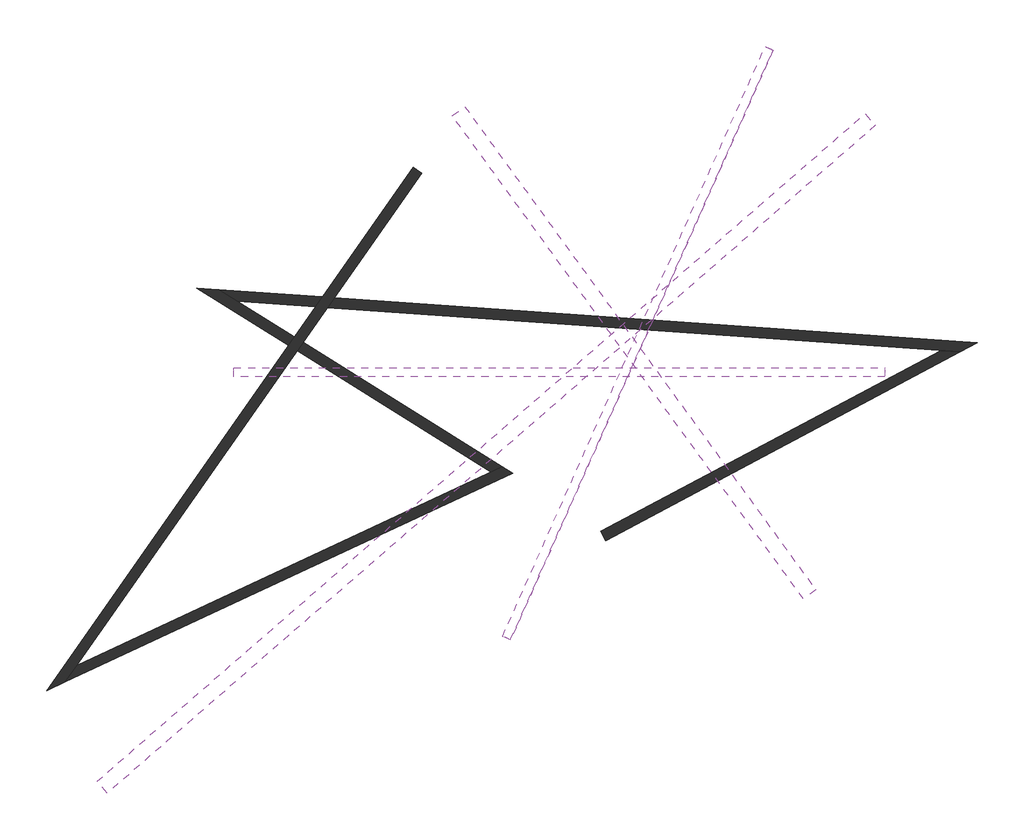
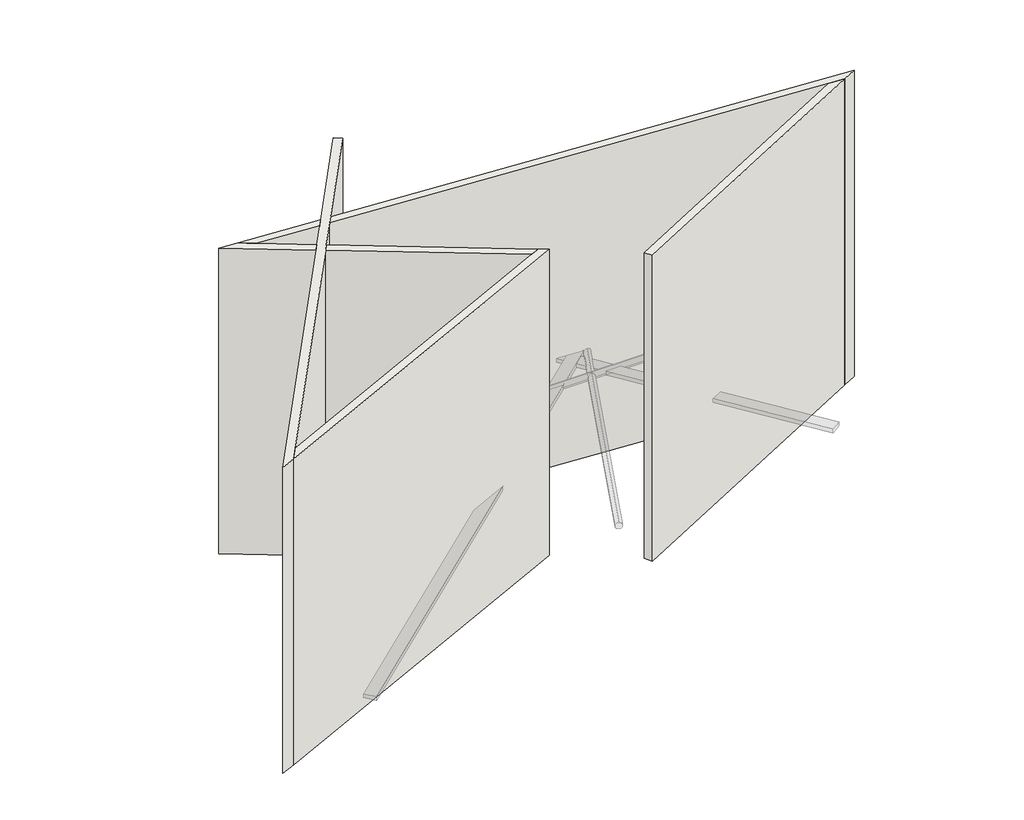
# One storey: 5 walls, 2 cable carrier segments, 2 pipe segments.
"""IFC4 building model written with IfcOpenShell, lengths in millimetres."""

from ifc_helpers import new_model, si_unit, point, frame, frame_2d, origin, origin_with_axes, place, context, project, spatial, polyline, circle_curve, trimmed, segment, composite_curve, outline, extrude, faceted_brep, element, save

model = new_model("IFC4")

# Units and contexts
model_context = context("Model", 3, world=origin())
ifc_project = project(units=[si_unit("LENGTHUNIT", "METRE", prefix="MILLI")], contexts=[model_context])

# Site, building, storey
site = spatial("IfcSite", under=ifc_project)
building = spatial("IfcBuilding", under=site)
storey = spatial("IfcBuildingStorey", under=building, Elevation=0.0)

# Cable carrier segments
placement = place(None, origin())
element("IfcCableCarrierSegment", 1, at=placement, inside=storey, context=model_context, shape_type="SweptSolid", body=[
    extrude(outline(polyline([(7586.0799905, -1833.9473649), (7343.3748922, -2010.2829406), (547.6977756, 7343.1641801), (790.4028739, 7519.4997558), (7586.0799905, -1833.9473649)])), frame((0.0, 0.0, 2693.2), z_axis=(0.0, 0.0, 1.0), x_axis=(1.0, 0.0, 0.0)), (0.0, 0.0, 1.0), 100.0),
])
element("IfcCableCarrierSegment", 2, at=placement, inside=storey, context=model_context, shape_type="SweptSolid", body=[
    extrude(outline(polyline([(8539.644826, 7382.1468228), (8736.4625347, 7155.7339487), (-6131.3161957, -5768.6289224), (-6328.1339044, -5542.2160483), (8539.644826, 7382.1468228)])), frame((0.0, 0.0, 2693.2), z_axis=(0.0, 0.0, 1.0), x_axis=(1.0, 0.0, 0.0)), (0.0, 0.0, 1.0), 100.0),
])

# Pipe segments
element("IfcPipeSegment", 3, at=placement, inside=storey, context=model_context, shape_type="SweptSolid", body=[
    extrude(outline(composite_curve([segment(trimmed(circle_curve(frame_2d((0.0, 84.1375)), 84.1375), [point((84.1375, 84.1375))], [point((0.0, 0.0))], False, "CARTESIAN"), True, "CONTINUOUS"), segment(trimmed(circle_curve(frame_2d((0.0, 84.1375)), 84.1375), [point((0.0, 0.0))], [point((-84.1375, 84.1375))], False, "CARTESIAN"), True, "CONTINUOUS"), segment(trimmed(circle_curve(frame_2d((0.0, 84.1375)), 84.1375), [point((-84.1375, 84.1375))], [point((0.0, 168.275))], False, "CARTESIAN"), True, "CONTINUOUS"), segment(trimmed(circle_curve(frame_2d((0.0, 84.1375)), 84.1375), [point((0.0, 168.275))], [point((84.1375, 84.1375))], False, "CARTESIAN"), True, "CONTINUOUS")], self_intersect=False)), frame((1598.0962466, -2769.5174365, 2827.3375), z_axis=(0.40673664307580115, 0.9135454576426005, 0.0), x_axis=(0.9135454576426005, -0.40673664307580115, 0.0)), (0.0, 0.0, 1.0), 12500.0),
])
element("IfcPipeSegment", 4, at=placement, inside=storey, context=model_context, shape_type="SweptSolid", body=[
    extrude(outline(composite_curve([segment(trimmed(circle_curve(frame_2d((2380.0810567, 2743.2)), 84.1375), [point((2295.9435567, 2743.2))], [point((2380.0810567, 2827.3375))], False, "CARTESIAN"), True, "CONTINUOUS"), segment(trimmed(circle_curve(frame_2d((2380.0810567, 2743.2)), 84.1375), [point((2380.0810567, 2827.3375))], [point((2464.2185567, 2743.2))], False, "CARTESIAN"), True, "CONTINUOUS"), segment(trimmed(circle_curve(frame_2d((2380.0810567, 2743.2)), 84.1375), [point((2464.2185567, 2743.2))], [point((2380.0810567, 2659.0625))], False, "CARTESIAN"), True, "CONTINUOUS"), segment(trimmed(circle_curve(frame_2d((2380.0810567, 2743.2)), 84.1375), [point((2380.0810567, 2659.0625))], [point((2295.9435567, 2743.2))], False, "CARTESIAN"), True, "CONTINUOUS")], self_intersect=False)), frame((-3681.8718288, 0.0, 0.0), z_axis=(1.0, 0.0, 0.0), x_axis=(0.0, 1.0, 0.0)), (0.0, 0.0, 1.0), 12600.0),
])

# Walls
element("IfcWall", 5, at=placement, inside=storey, context=model_context, shape_type="Brep", body=[
    faceted_brep([(-211.2159208, 6348.5261636, 0.0), (-1970.2435071, 3836.3744224, 0.0), (-2104.0741924, 3645.2443959, 0.0), (-2511.7055718, 3063.086454, 0.0), (-2626.5782881, 2899.0312131, 0.0), (-7308.1947972, -3787.0100727, 0.0), (-7308.1947972, -3787.0100727, 8000.0), (-2626.5782881, 2899.0312131, 8000.0), (-2511.7055718, 3063.086454, 8000.0), (-2104.0741924, 3645.2443959, 8000.0), (-1970.2435071, 3836.3744224, 8000.0), (-211.2159208, 6348.5261636, 8000.0), (-47.3855119, 6233.8108763, 0.0), (-47.3855119, 6233.8108763, 8000.0), (-1737.4851997, 3820.098376, 8000.0), (-1871.315885, 3628.9683495, 8000.0), (-2341.8631894, 2956.9571546, 8000.0), (-2456.7359058, 2792.9019138, 8000.0), (-6716.2411079, -3290.3019503, 8000.0), (-6945.6716824, -3617.962768, 8000.0), (-6945.6716824, -3617.962768, 0.0), (-6716.2411079, -3290.3019503, 0.0), (-2456.7359058, 2792.9019138, 0.0), (-2341.8631894, 2956.9571546, 0.0), (-1871.315885, 3628.9683495, 0.0), (-1737.4851997, 3820.098376, 0.0)], [[[0, 1, 2, 3, 4, 5, 6, 7, 8, 9, 10, 11]], [[12, 13, 14, 15, 16, 17, 18, 19, 20, 21, 22, 23, 24, 25]], [[5, 4, 3, 2, 1, 0, 12, 25, 24, 23, 22, 21, 20]], [[11, 10, 9, 8, 7, 6, 19, 18, 17, 16, 15, 14, 13]], [[0, 11, 13, 12]], [[6, 5, 20, 19]]]),
])
element("IfcWall", 6, at=placement, inside=storey, context=model_context, shape_type="Brep", body=[
    faceted_brep([(-6945.6716824, -3617.962768, 0.0), (1716.2582014, 421.1614712, 0.0), (1716.2582014, 421.1614712, 8000.0), (-6945.6716824, -3617.962768, 8000.0), (-6716.2411079, -3290.3019503, 0.0), (-6716.2411079, -3290.3019503, 8000.0), (1297.8922898, 446.7498265, 8000.0), (1514.0219173, 547.532727, 8000.0), (1514.0219173, 547.532727, 0.0), (1297.8922898, 446.7498265, 0.0)], [[[0, 1, 2, 3]], [[4, 5, 6, 7, 8, 9]], [[1, 0, 4, 9, 8]], [[3, 2, 7, 6, 5]], [[0, 3, 5, 4]], [[2, 1, 8, 7]]]),
])
element("IfcWall", 7, at=placement, inside=storey, context=model_context, shape_type="Brep", body=[
    faceted_brep([(1514.0219173, 547.532727, 8000.0), (1514.0219173, 547.532727, 0.0), (-2341.8631894, 2956.9571546, 0.0), (-2341.8631894, 2956.9571546, 8000.0), (1297.8922898, 446.7498265, 0.0), (1297.8922898, 446.7498265, 8000.0), (-2456.7359058, 2792.9019138, 8000.0), (-2456.7359058, 2792.9019138, 0.0)], [[[0, 1, 2, 3]], [[4, 5, 6, 7]], [[1, 4, 7, 2]], [[5, 0, 3, 6]], [[1, 0, 5, 4]], [[3, 2, 7, 6]]]),
    faceted_brep([(-3973.3896668, 3976.4480472, 0.0), (-3973.3896668, 3976.4480472, 8000.0), (-3612.1119395, 3750.6966679, 8000.0), (-2511.7055718, 3063.086454, 8000.0), (-2511.7055718, 3063.086454, 0.0), (-3612.1119395, 3750.6966679, 0.0), (-4398.3628193, 4006.1650649, 8000.0), (-4398.3628193, 4006.1650649, 0.0), (-2626.5782881, 2899.0312131, 0.0), (-2626.5782881, 2899.0312131, 8000.0)], [[[0, 1, 2, 3, 4, 5]], [[6, 7, 8, 9]], [[7, 0, 5, 4, 8]], [[1, 6, 9, 3, 2]], [[4, 3, 9, 8]], [[1, 0, 7, 6]]]),
])
element("IfcWall", 8, at=placement, inside=storey, context=model_context, shape_type="Brep", body=[
    faceted_brep([(-3612.1119395, 3750.6966679, 8000.0), (-3612.1119395, 3750.6966679, 0.0), (-2104.0741924, 3645.2443959, 0.0), (-2104.0741924, 3645.2443959, 8000.0), (-3973.3896668, 3976.4480472, 0.0), (-3973.3896668, 3976.4480472, 8000.0), (-1970.2435071, 3836.3744224, 8000.0), (-1970.2435071, 3836.3744224, 0.0)], [[[0, 1, 2, 3]], [[4, 5, 6, 7]], [[1, 4, 7, 2]], [[5, 0, 3, 6]], [[1, 0, 5, 4]], [[3, 2, 7, 6]]]),
    faceted_brep([(10381.3139858, 2772.1810047, 0.0), (10381.3139858, 2772.1810047, 8000.0), (10004.8173692, 2798.5082128, 8000.0), (-1871.315885, 3628.9683495, 8000.0), (-1871.315885, 3628.9683495, 0.0), (10004.8173692, 2798.5082128, 0.0), (10714.5525194, 2949.3670761, 8000.0), (10714.5525194, 2949.3670761, 0.0), (-1737.4851997, 3820.098376, 0.0), (-1737.4851997, 3820.098376, 8000.0)], [[[0, 1, 2, 3, 4, 5]], [[6, 7, 8, 9]], [[7, 0, 5, 4, 8]], [[1, 6, 9, 3, 2]], [[4, 3, 9, 8]], [[1, 0, 7, 6]]]),
])
element("IfcWall", 9, at=placement, inside=storey, context=model_context, shape_type="SweptSolid", body=[
    extrude(outline(polyline([(3420.2488422, -702.5689764), (10004.8173692, 2798.5082128), (10381.3139858, 2772.1810047), (3514.1431548, -879.158495), (3420.2488422, -702.5689764)])), origin_with_axes(), (0.0, 0.0, 1.0), 8000.0),
])

save(model, "model.ifc")
